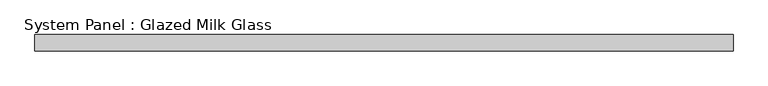
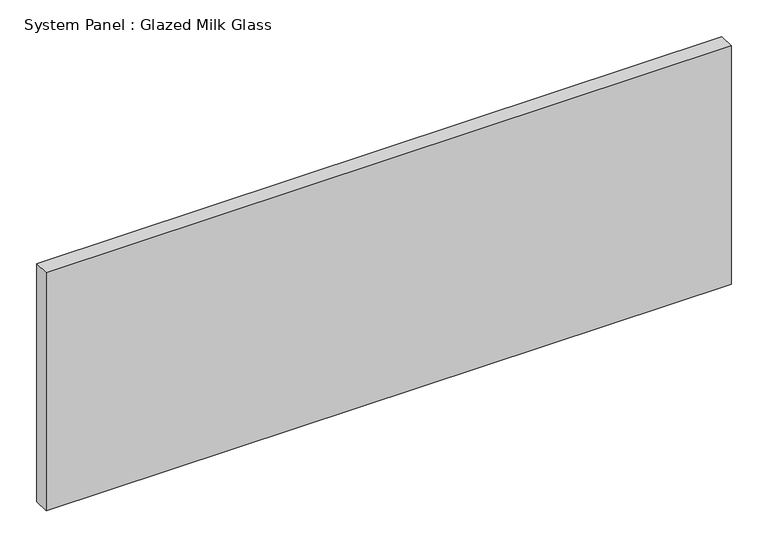
"""IFC4 building model written with IfcOpenShell, lengths in millimetres: plate geometry, System Panel : Glazed Milk Glass."""

from ifc_helpers import new_model, si_unit, origin, origin_with_axes, place, context, project, spatial, polyline, outline, extrude, source, transform, mapped, element, save


def system_panel_glazed_milk_glass_7cc4fa6a(model_context):
    return source(origin(), model_context, "Body", "SweptSolid", [
        extrude(outline(polyline([(537.5, -12.5), (-537.5, -12.5), (-537.5, 12.5), (537.5, 12.5), (537.5, -12.5)])), origin_with_axes(), (0.0, 0.0, 1.0), 395.0),
    ])


if __name__ == "__main__":
    model = new_model("IFC4")
    model_context = context("Model", 3, world=origin())
    ifc_project = project(units=[si_unit("LENGTHUNIT", "METRE", prefix="MILLI")], contexts=[model_context])
    site = spatial("IfcSite", under=ifc_project)
    building = spatial("IfcBuilding", under=site)
    placement = place(None, origin())
    system_panel_glazed_milk_glass_shape = system_panel_glazed_milk_glass_7cc4fa6a(model_context)
    element("IfcPlate", 1, ObjectType="System Panel : Glazed Milk Glass", at=placement, inside=building, context=model_context, shape_type="MappedRepresentation", body=[
        mapped(system_panel_glazed_milk_glass_shape, transform((0.0, 0.0, 0.0), x_axis=(1.0, 0.0, 0.0), y_axis=(0.0, 1.0, 0.0), z_axis=(0.0, 0.0, 1.0))),
    ])
    save(model, "model.ifc")
